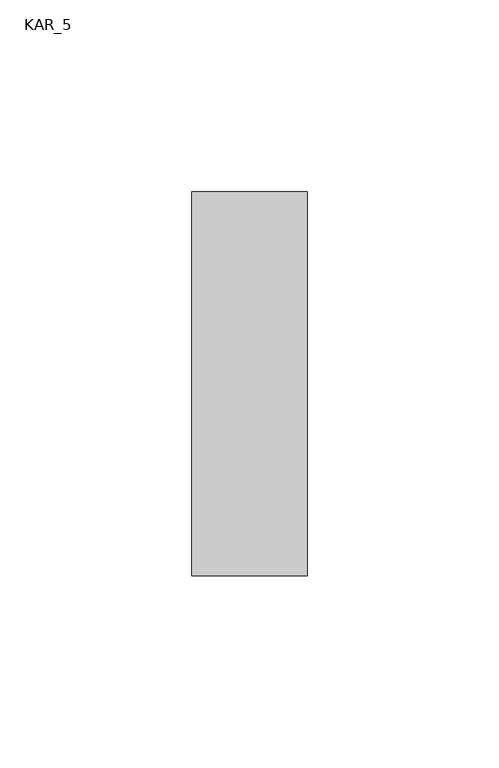
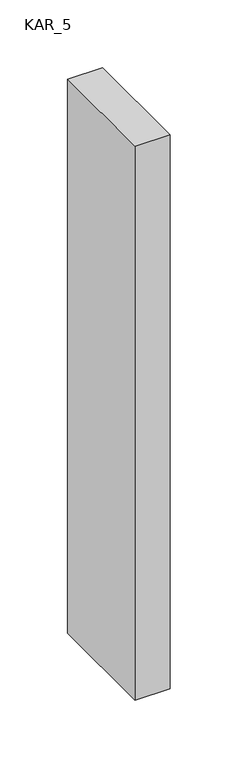
"""IFC4 building model written with IfcOpenShell, lengths in millimetres: proxy geometry, KAR_5."""

import ifcopenshell
import ifcopenshell.guid

model = None  # the IFC model being written
_history = None  # IfcOwnerHistory: only IFC2X3 demands one
_inside = {}  # id of a spatial element -> (the spatial element, [elements in it])
_under = {}  # id of a project, library or spatial element -> (it, [spatial elements below it])
_declared = {}  # id of a project -> (the project, [libraries it declares])
_typed = {}  # id of a type object -> (the type object, [elements of that type])
_made_of = {}  # id of a material, layer set ... -> (it, [elements and type objects made of it])


def new_model(schema):
    """Start an empty IFC model of exactly this schema.

    Asked for "IFC4X3", IfcOpenShell would pick the latest addendum, in which some entities
    have other attributes; the version numbers below select the first issue.
    IFC2X3 requires an IfcOwnerHistory on every rooted entity: one is made here for all.
    """
    global model, _history
    if schema == "IFC4X3":
        model = ifcopenshell.file(schema_version=(4, 3, 0, 0))
    else:
        model = ifcopenshell.file(schema=schema)
    _inside.clear()
    _under.clear()
    _declared.clear()
    _typed.clear()
    _made_of.clear()
    _history = None
    if model.schema == "IFC2X3":
        org = make("IfcOrganization", Name="unknown")
        user = make(
            "IfcPersonAndOrganization",
            ThePerson=make("IfcPerson", FamilyName="unknown"),
            TheOrganization=org,
        )
        app = make(
            "IfcApplication",
            ApplicationDeveloper=org,
            Version="unknown",
            ApplicationFullName="unknown",
            ApplicationIdentifier="unknown",
        )
        _history = make(
            "IfcOwnerHistory",
            OwningUser=user,
            OwningApplication=app,
            ChangeAction="ADDED",
            CreationDate=0,
        )
    return model


def make(cls, **values):
    """One entity of the class cls with the attributes given. An attribute that is None is left unset."""
    return model.create_entity(
        cls, **{name: value for name, value in values.items() if value is not None}
    )


def rooted(cls, **values):
    """An entity with a GlobalId (a new one), such as an element, a storey or a relation."""
    return make(cls, GlobalId=ifcopenshell.guid.new(), OwnerHistory=_history, **values)


def si_unit(unit_type, name, prefix=None):
    """IfcSIUnit, for example si_unit("LENGTHUNIT", "METRE", prefix="MILLI")."""
    return make("IfcSIUnit", UnitType=unit_type, Prefix=prefix, Name=name)


def assignment(units):
    """IfcUnitAssignment: the units of a project."""
    return None if units is None else make("IfcUnitAssignment", Units=units)


def point(xyz):
    """IfcCartesianPoint."""
    return None if xyz is None else make("IfcCartesianPoint", Coordinates=xyz)


def direction(xyz):
    """IfcDirection."""
    return None if xyz is None else make("IfcDirection", DirectionRatios=xyz)


def frame(location, z_axis=None, x_axis=None):
    """IfcAxis2Placement3D, a coordinate frame: its origin and axes. An axis left out is left unset."""
    return make(
        "IfcAxis2Placement3D",
        Location=point(location),
        Axis=direction(z_axis),
        RefDirection=direction(x_axis),
    )


def origin():
    """The frame at (0, 0, 0) with its axes left unset."""
    return frame((0.0, 0.0, 0.0))


def place(relative_to, where):
    """IfcLocalPlacement: puts the frame where relative to a parent placement (None: the world)."""
    return make(
        "IfcLocalPlacement", PlacementRelTo=relative_to, RelativePlacement=where
    )


def context(
    kind, dimensions, precision=None, world=None, true_north=None, identifier=None
):
    """IfcGeometricRepresentationContext, for example the 3D "Model" context."""
    return make(
        "IfcGeometricRepresentationContext",
        ContextIdentifier=identifier,
        ContextType=kind,
        CoordinateSpaceDimension=dimensions,
        Precision=precision,
        WorldCoordinateSystem=world,
        TrueNorth=true_north,
    )


def project(units=None, contexts=None):
    """IfcProject with its units and contexts."""
    return rooted(
        "IfcProject",
        Name="project",
        RepresentationContexts=contexts,
        UnitsInContext=assignment(units),
    )


def spatial(cls, under=None, at=None, **own):
    """A site, building, storey or space (cls), placed at a placement, below another one or the project."""
    s = rooted(cls, ObjectPlacement=at, **own)
    if under is not None:
        _under.setdefault(under.id(), (under, []))[1].append(s)
    return s


def polyline(points):
    """IfcPolyline through the points."""
    return make("IfcPolyline", Points=[point(p) for p in points])


def outline(outer, holes=None, kind="AREA"):
    """IfcArbitraryClosedProfileDef: a profile drawn as a closed curve; with holes, ...WithVoids."""
    if holes is None:
        return make("IfcArbitraryClosedProfileDef", ProfileType=kind, OuterCurve=outer)
    return make(
        "IfcArbitraryProfileDefWithVoids",
        ProfileType=kind,
        OuterCurve=outer,
        InnerCurves=holes,
    )


def extrude(swept, where, along, depth):
    """IfcExtrudedAreaSolid: the profile swept, set in the frame where, extruded along a direction by depth."""
    return make(
        "IfcExtrudedAreaSolid",
        SweptArea=swept,
        Position=where,
        ExtrudedDirection=direction(along),
        Depth=depth,
    )


def shape(context_of_items, identifier, shape_type, items):
    """IfcShapeRepresentation: the items that make up one representation, for example the "Body"."""
    return make(
        "IfcShapeRepresentation",
        ContextOfItems=context_of_items,
        RepresentationIdentifier=identifier,
        RepresentationType=shape_type,
        Items=items,
    )


def source(mapping_origin, context_of_items, identifier, shape_type, items):
    """IfcRepresentationMap: a shape defined once, which mapped items show again and again."""
    return make(
        "IfcRepresentationMap",
        MappingOrigin=mapping_origin,
        MappedRepresentation=shape(context_of_items, identifier, shape_type, items),
    )


def transform(
    local_origin,
    x_axis=None,
    y_axis=None,
    z_axis=None,
    scale=None,
    scale2=None,
    scale3=None,
    uniform=True,
):
    """IfcCartesianTransformationOperator3D, or its non-uniform kind. x_axis, y_axis, z_axis: its Axis1, 2, 3."""
    if uniform:
        return make(
            "IfcCartesianTransformationOperator3D",
            Axis1=direction(x_axis),
            Axis2=direction(y_axis),
            LocalOrigin=point(local_origin),
            Scale=scale,
            Axis3=direction(z_axis),
        )
    return make(
        "IfcCartesianTransformationOperator3DnonUniform",
        Axis1=direction(x_axis),
        Axis2=direction(y_axis),
        LocalOrigin=point(local_origin),
        Scale=scale,
        Axis3=direction(z_axis),
        Scale2=scale2,
        Scale3=scale3,
    )


def mapped(mapping_source, mapping_target):
    """IfcMappedItem: shows the shape of a source again, moved by a transform."""
    return make(
        "IfcMappedItem", MappingSource=mapping_source, MappingTarget=mapping_target
    )


def made_of(thing, what):
    """Note that an element or type object is made of a material, layer set ...; save() writes the relation."""
    if what is not None:
        _made_of.setdefault(what.id(), (what, []))[1].append(thing)
    return thing


def element(
    cls,
    number,
    at=None,
    inside=None,
    cuts=None,
    type_object=None,
    material=None,
    context=None,
    identifier="Body",
    shape_type=None,
    held_by="IfcProductDefinitionShape",
    body=None,
    shapes=None,
    **own,
):
    """One element of the class cls, such as IfcWall. Its Tag is "e" and its number.

    at: its placement. inside: the storey or other place that contains it. cuts: it is an
    opening in that element (IfcRelVoidsElement). A single representation is given by context,
    identifier, shape_type and body (its items); several are given by shapes. held_by: the class
    of the entity that holds the representations. save() writes the other relations.
    """
    e = rooted(cls, Tag="e%d" % number, ObjectPlacement=at, **own)
    if body is not None:
        shapes = [shape(context, identifier, shape_type, body)]
    if shapes is not None:
        e.Representation = make(held_by, Representations=shapes)
    if inside is not None:
        _inside.setdefault(inside.id(), (inside, []))[1].append(e)
    if cuts is not None:
        rooted(
            "IfcRelVoidsElement", RelatingBuildingElement=cuts, RelatedOpeningElement=e
        )
    if type_object is not None:
        _typed.setdefault(type_object.id(), (type_object, []))[1].append(e)
    return made_of(e, material)


def aggregate(whole, parts):
    """IfcRelAggregates: a whole, such as a stair, and the parts it consists of."""
    return rooted("IfcRelAggregates", RelatingObject=whole, RelatedObjects=parts)


def save(model, path):
    """Write the relations noted so far, then the file.

    IfcRelAggregates (storeys below a building ...), IfcRelContainedInSpatialStructure (elements
    in a storey), IfcRelDefinesByType, IfcRelAssociatesMaterial and IfcRelDeclares: one each for
    every whole, place, type object, material and project.
    """
    for whole, parts in _under.values():
        aggregate(whole, parts)
    for where, things in _inside.values():
        rooted(
            "IfcRelContainedInSpatialStructure",
            RelatedElements=things,
            RelatingStructure=where,
        )
    for kind, things in _typed.values():
        rooted("IfcRelDefinesByType", RelatedObjects=things, RelatingType=kind)
    for what, things in _made_of.values():
        rooted("IfcRelAssociatesMaterial", RelatedObjects=things, RelatingMaterial=what)
    for by, libraries in _declared.values():
        rooted("IfcRelDeclares", RelatingContext=by, RelatedDefinitions=libraries)
    model.write(path)


def kar_5_2dc66701(model_context):
    return source(origin(), model_context, "Body", "SweptSolid", [
        extrude(outline(polyline([(30.0, 100.0), (30.0, 0.0), (0.0, 0.0), (0.0, 100.0), (30.0, 100.0)])), frame((0.0, 0.0, 1900.0), z_axis=(0.0, 0.0, 1.0), x_axis=(1.0, 0.0, 0.0)), (0.0, 0.0, 1.0), 500.0),
    ])


if __name__ == "__main__":
    model = new_model("IFC4")
    model_context = context("Model", 3, world=origin())
    ifc_project = project(units=[si_unit("LENGTHUNIT", "METRE", prefix="MILLI")], contexts=[model_context])
    site = spatial("IfcSite", under=ifc_project)
    building = spatial("IfcBuilding", under=site)
    placement = place(None, origin())
    kar_5_shape = kar_5_2dc66701(model_context)
    element("IfcBuildingElementProxy", 1, Name="KAR_5", ObjectType="KAR_5", at=placement, inside=building, context=model_context, shape_type="MappedRepresentation", body=[
        mapped(kar_5_shape, transform((0.0, 0.0, 0.0), x_axis=(1.0, 0.0, 0.0), y_axis=(0.0, 1.0, 0.0), z_axis=(0.0, 0.0, 1.0))),
    ])
    save(model, "model.ifc")
